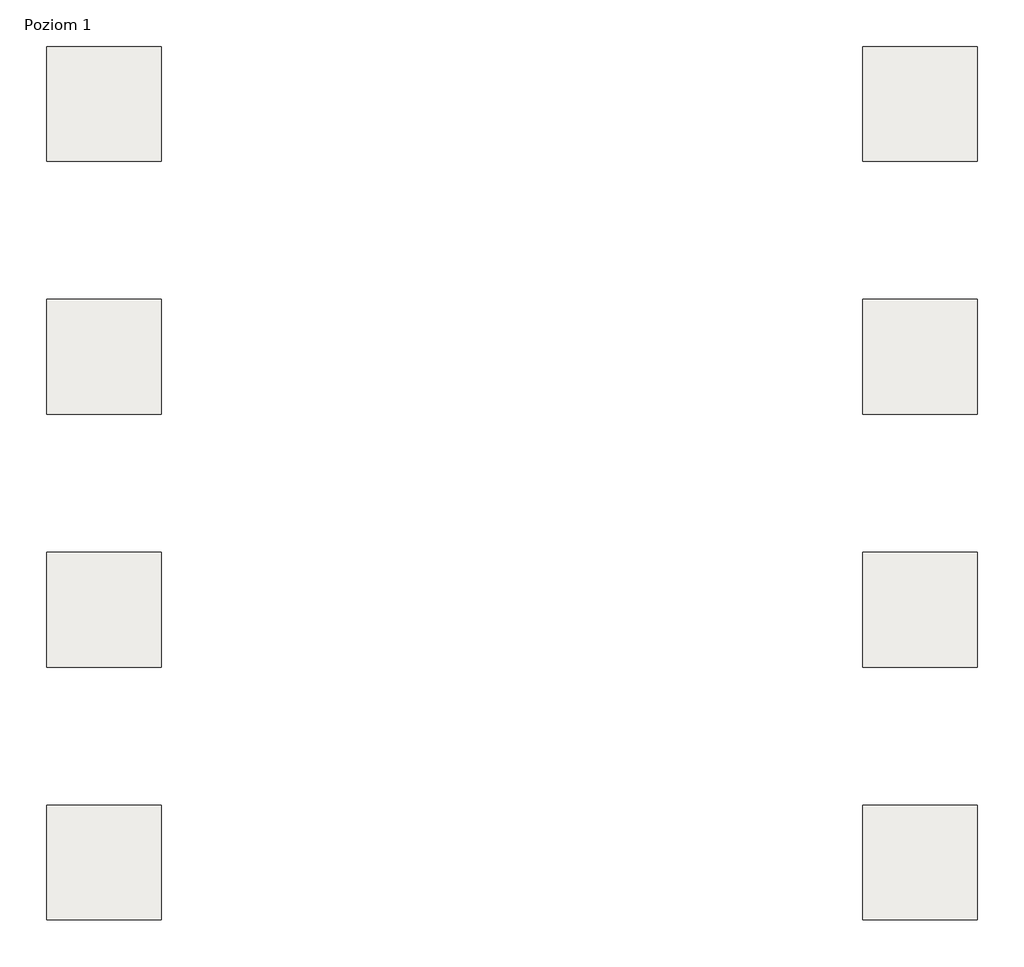
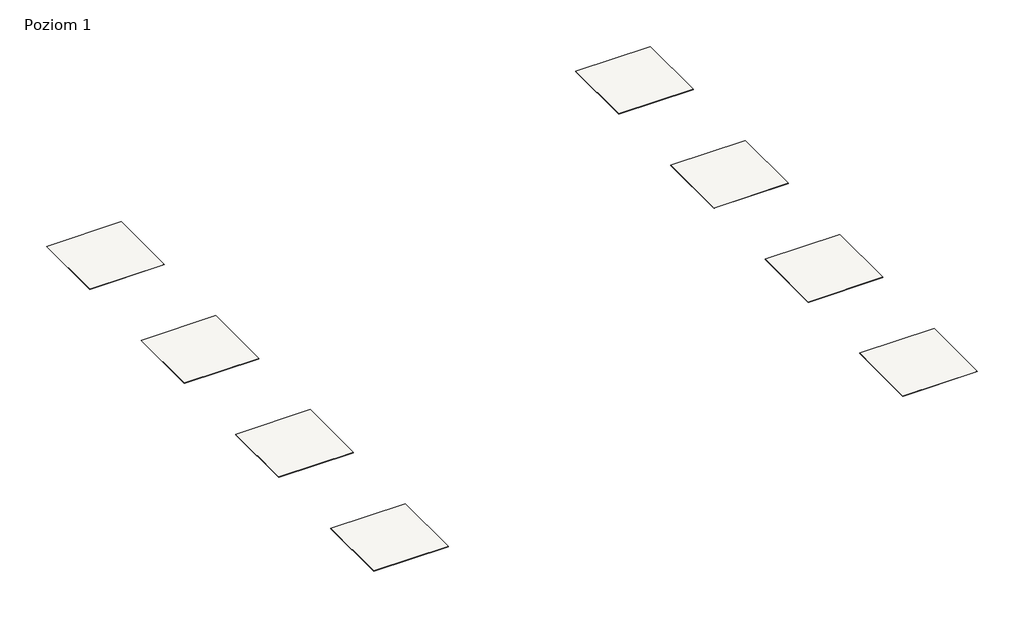
# One storey: 8 slabs.
"""IFC4 building model written with IfcOpenShell, lengths in millimetres."""

from ifc_helpers import new_model, si_unit, frame, origin, place, context, project, spatial, polyline, outline, extrude, element, save

model = new_model("IFC4")

# Units and contexts
model_context = context("Model", 3, world=origin())
ifc_project = project(units=[si_unit("LENGTHUNIT", "METRE", prefix="MILLI")], contexts=[model_context])

# Site, building, storey
site = spatial("IfcSite", under=ifc_project)
building = spatial("IfcBuilding", under=site)
storey = spatial("IfcBuildingStorey", under=building, Name="Poziom 1", Elevation=0.0)

# Slabs
placement = place(None, origin())
element("IfcSlab", 1, at=placement, inside=storey, context=model_context, shape_type="SweptSolid", body=[
    extrude(outline(polyline([(3036.5009197, 24640.1445193), (3036.5009197, 23640.1445193), (2036.5009197, 23640.1445193), (2036.5009197, 24640.1445193), (3036.5009197, 24640.1445193)])), frame((0.0, 0.0, -6.0), z_axis=(0.0, 0.0, 1.0), x_axis=(1.0, 0.0, 0.0)), (0.0, 0.0, 1.0), 6.0),
])
element("IfcSlab", 2, at=placement, inside=storey, context=model_context, shape_type="SweptSolid", body=[
    extrude(outline(polyline([(3036.5009197, 22440.1445193), (3036.5009197, 21440.1445193), (2036.5009197, 21440.1445193), (2036.5009197, 22440.1445193), (3036.5009197, 22440.1445193)])), frame((0.0, 0.0, -6.0), z_axis=(0.0, 0.0, 1.0), x_axis=(1.0, 0.0, 0.0)), (0.0, 0.0, 1.0), 6.0),
])
element("IfcSlab", 3, at=placement, inside=storey, context=model_context, shape_type="SweptSolid", body=[
    extrude(outline(polyline([(3036.5009197, 20240.1445193), (3036.5009197, 19240.1445193), (2036.5009197, 19240.1445193), (2036.5009197, 20240.1445193), (3036.5009197, 20240.1445193)])), frame((0.0, 0.0, -6.0), z_axis=(0.0, 0.0, 1.0), x_axis=(1.0, 0.0, 0.0)), (0.0, 0.0, 1.0), 6.0),
])
element("IfcSlab", 4, at=placement, inside=storey, context=model_context, shape_type="SweptSolid", body=[
    extrude(outline(polyline([(3036.5009197, 18040.1445193), (3036.5009197, 17040.1445193), (2036.5009197, 17040.1445193), (2036.5009197, 18040.1445193), (3036.5009197, 18040.1445193)])), frame((0.0, 0.0, -6.0), z_axis=(0.0, 0.0, 1.0), x_axis=(1.0, 0.0, 0.0)), (0.0, 0.0, 1.0), 6.0),
])
element("IfcSlab", 5, at=placement, inside=storey, context=model_context, shape_type="SweptSolid", body=[
    extrude(outline(polyline([(10136.5009197, 24640.1445193), (10136.5009197, 23640.1445193), (9136.5009197, 23640.1445193), (9136.5009197, 24640.1445193), (10136.5009197, 24640.1445193)])), frame((0.0, 0.0, -6.0), z_axis=(0.0, 0.0, 1.0), x_axis=(1.0, 0.0, 0.0)), (0.0, 0.0, 1.0), 6.0),
])
element("IfcSlab", 6, at=placement, inside=storey, context=model_context, shape_type="SweptSolid", body=[
    extrude(outline(polyline([(10136.5009197, 22440.1445193), (10136.5009197, 21440.1445193), (9136.5009197, 21440.1445193), (9136.5009197, 22440.1445193), (10136.5009197, 22440.1445193)])), frame((0.0, 0.0, -6.0), z_axis=(0.0, 0.0, 1.0), x_axis=(1.0, 0.0, 0.0)), (0.0, 0.0, 1.0), 6.0),
])
element("IfcSlab", 7, at=placement, inside=storey, context=model_context, shape_type="SweptSolid", body=[
    extrude(outline(polyline([(10136.5009197, 20240.1445193), (10136.5009197, 19240.1445193), (9136.5009197, 19240.1445193), (9136.5009197, 20240.1445193), (10136.5009197, 20240.1445193)])), frame((0.0, 0.0, -6.0), z_axis=(0.0, 0.0, 1.0), x_axis=(1.0, 0.0, 0.0)), (0.0, 0.0, 1.0), 6.0),
])
element("IfcSlab", 8, at=placement, inside=storey, context=model_context, shape_type="SweptSolid", body=[
    extrude(outline(polyline([(10136.5009197, 18040.1445193), (10136.5009197, 17040.1445193), (9136.5009197, 17040.1445193), (9136.5009197, 18040.1445193), (10136.5009197, 18040.1445193)])), frame((0.0, 0.0, -6.0), z_axis=(0.0, 0.0, 1.0), x_axis=(1.0, 0.0, 0.0)), (0.0, 0.0, 1.0), 6.0),
])

save(model, "model.ifc")
